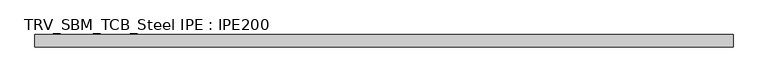
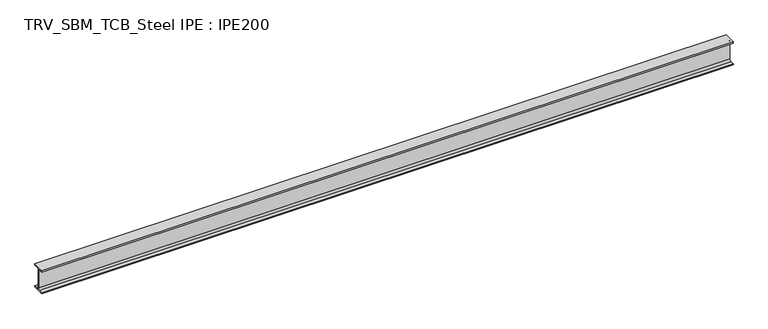
"""IFC4 building model written with IfcOpenShell, lengths in millimetres: beam geometry, TRV_SBM_TCB_Steel IPE : IPE200."""

from ifc_helpers import new_model, si_unit, point, frame, frame_2d, origin, place, context, project, spatial, polyline, circle_curve, trimmed, segment, composite_curve, outline, extrude, source, transform, mapped, element, save


def trv_sbm_tcb_steel_ipe_ipe200_91a2d7df(model_context):
    return source(origin(), model_context, "Body", "SweptSolid", [
        extrude(outline(composite_curve([segment(polyline([(50.0, -89.3), (50.0, -100.0), (-50.0, -100.0), (-50.0, -89.3), (-18.55, -89.3)]), True, "CONTINUOUS"), segment(trimmed(circle_curve(frame_2d((-18.55, -74.3)), 15.0), [point((-18.55, -89.3))], [point((-3.55, -74.3))], True, "CARTESIAN"), True, "CONTINUOUS"), segment(polyline([(-3.55, -74.3), (-3.55, 74.3)]), True, "CONTINUOUS"), segment(trimmed(circle_curve(frame_2d((-18.55, 74.3)), 15.0), [point((-3.55, 74.3))], [point((-18.55, 89.3))], True, "CARTESIAN"), True, "CONTINUOUS"), segment(polyline([(-18.55, 89.3), (-50.0, 89.3), (-50.0, 100.0), (50.0, 100.0), (50.0, 89.3), (18.55, 89.3)]), True, "CONTINUOUS"), segment(trimmed(circle_curve(frame_2d((18.55, 74.3)), 15.0), [point((18.55, 89.3))], [point((3.55, 74.3))], True, "CARTESIAN"), True, "CONTINUOUS"), segment(polyline([(3.55, 74.3), (3.55, -74.3)]), True, "CONTINUOUS"), segment(trimmed(circle_curve(frame_2d((18.55, -74.3)), 15.0), [point((3.55, -74.3))], [point((18.55, -89.3))], True, "CARTESIAN"), True, "CONTINUOUS"), segment(polyline([(18.55, -89.3), (50.0, -89.3)]), True, "CONTINUOUS")], self_intersect=False)), frame((-2822.0, 0.0, 0.0), z_axis=(1.0, 0.0, 0.0), x_axis=(0.0, 1.0, 0.0)), (0.0, 0.0, 1.0), 5664.0),
    ])


if __name__ == "__main__":
    model = new_model("IFC4")
    model_context = context("Model", 3, world=origin())
    ifc_project = project(units=[si_unit("LENGTHUNIT", "METRE", prefix="MILLI")], contexts=[model_context])
    site = spatial("IfcSite", under=ifc_project)
    building = spatial("IfcBuilding", under=site)
    placement = place(None, origin())
    trv_sbm_tcb_steel_ipe_ipe200_shape = trv_sbm_tcb_steel_ipe_ipe200_91a2d7df(model_context)
    element("IfcBeam", 1, ObjectType="TRV_SBM_TCB_Steel IPE : IPE200", at=placement, inside=building, context=model_context, shape_type="MappedRepresentation", body=[
        mapped(trv_sbm_tcb_steel_ipe_ipe200_shape, transform((0.0, 0.0, 0.0), x_axis=(1.0, 0.0, 0.0), y_axis=(0.0, 1.0, 0.0), z_axis=(0.0, 0.0, 1.0))),
    ])
    save(model, "model.ifc")
